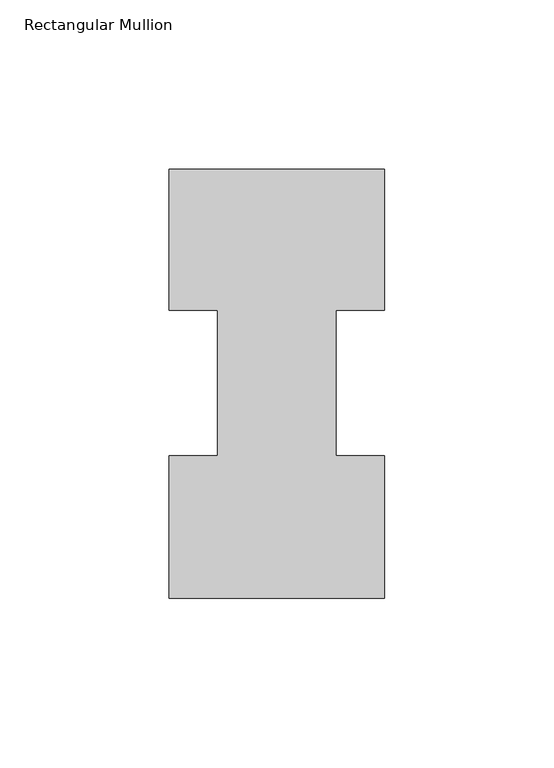
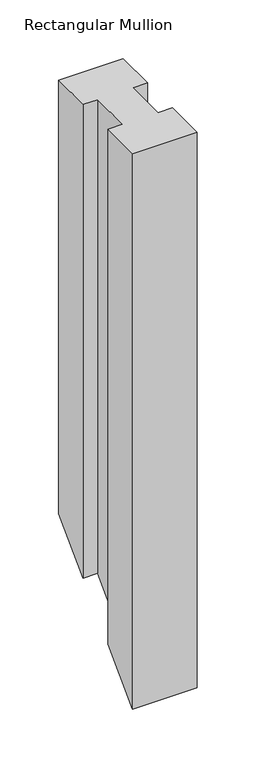
"""IFC4 building model written with IfcOpenShell, lengths in millimetres: member geometry, Rectangular Mullion."""

from ifc_helpers import new_model, si_unit, origin, place, context, project, spatial, faceted_brep, source, transform, mapped, element, save


def rectangular_mullion_f56b414e(model_context):
    return source(origin(), model_context, "Body", "Brep", [
        faceted_brep([(-63.5, 0.04445, 0.0), (0.0, 0.04445, 0.0), (0.0, 42.08145, 0.0), (-14.2748, 42.08145, 0.0), (-14.2748, 84.93125, 0.0), (0.0, 84.93125, 0.0), (0.0, 126.53645, 0.0), (-63.5, 126.53645, 0.0), (-63.5, 84.93125, 0.0), (-49.2125, 84.93125, 0.0), (-49.2125, 42.08145, 0.0), (-63.5, 42.08145, 0.0), (-63.5, 0.04445, -577.80555), (0.0, 0.04445, -577.80555), (0.0, 42.08145, -535.76855), (-14.2748, 42.08145, -535.76855), (-14.2748, 84.93125, -492.91875), (0.0, 84.93125, -492.91875), (0.0, 126.53645, -451.31355), (-63.5, 126.53645, -451.31355), (-63.5, 84.93125, -492.91875), (-49.2125, 84.93125, -492.91875), (-49.2125, 42.08145, -535.76855), (-63.5, 42.08145, -535.76855)], [[[0, 1, 2, 3, 4, 5, 6, 7, 8, 9, 10, 11]], [[1, 0, 12, 13]], [[2, 1, 13, 14]], [[3, 2, 14, 15]], [[4, 3, 15, 16]], [[5, 4, 16, 17]], [[6, 5, 17, 18]], [[7, 6, 18, 19]], [[8, 7, 19, 20]], [[9, 8, 20, 21]], [[10, 9, 21, 22]], [[11, 10, 22, 23]], [[0, 11, 23, 12]], [[12, 23, 22, 21, 20, 19, 18, 17, 16, 15, 14, 13]]]),
    ])


if __name__ == "__main__":
    model = new_model("IFC4")
    model_context = context("Model", 3, world=origin())
    ifc_project = project(units=[si_unit("LENGTHUNIT", "METRE", prefix="MILLI")], contexts=[model_context])
    site = spatial("IfcSite", under=ifc_project)
    building = spatial("IfcBuilding", under=site)
    placement = place(None, origin())
    rectangular_mullion_shape = rectangular_mullion_f56b414e(model_context)
    element("IfcMember", 1, ObjectType="Rectangular Mullion", at=placement, inside=building, context=model_context, shape_type="MappedRepresentation", body=[
        mapped(rectangular_mullion_shape, transform((0.0, 0.0, 0.0), x_axis=(1.0, 0.0, 0.0), y_axis=(0.0, 1.0, 0.0), z_axis=(0.0, 0.0, 1.0))),
    ])
    save(model, "model.ifc")
